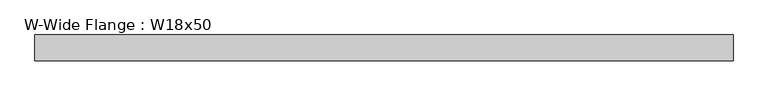
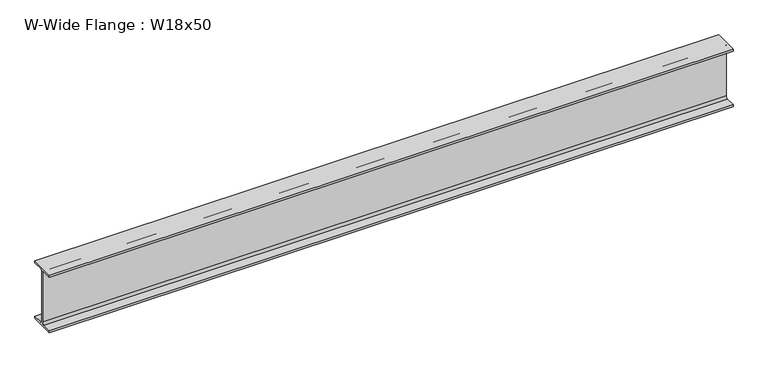
"""IFC4 building model written with IfcOpenShell, lengths in millimetres: beam geometry, W-Wide Flange : W18x50."""

from ifc_helpers import new_model, si_unit, point, frame, frame_2d, origin, place, context, project, spatial, polyline, circle_curve, trimmed, segment, composite_curve, outline, extrude, source, transform, mapped, element, save


def w_wide_flange_w18x50_74c78b74(model_context):
    return source(origin(), model_context, "Body", "SweptSolid", [
        extrude(outline(composite_curve([segment(polyline([(95.25, -214.122), (95.25, -228.6), (-95.25, -228.6), (-95.25, -214.122), (-21.7805, -214.122)]), True, "CONTINUOUS"), segment(trimmed(circle_curve(frame_2d((-21.7805, -196.85)), 17.272), [point((-21.7805, -214.122))], [point((-4.5085, -196.85))], True, "CARTESIAN"), True, "CONTINUOUS"), segment(polyline([(-4.5085, -196.85), (-4.5085, 196.85)]), True, "CONTINUOUS"), segment(trimmed(circle_curve(frame_2d((-21.7805, 196.85)), 17.272), [point((-4.5085, 196.85))], [point((-21.7805, 214.122))], True, "CARTESIAN"), True, "CONTINUOUS"), segment(polyline([(-21.7805, 214.122), (-95.25, 214.122), (-95.25, 228.6), (95.25, 228.6), (95.25, 214.122), (21.7805, 214.122)]), True, "CONTINUOUS"), segment(trimmed(circle_curve(frame_2d((21.7805, 196.85)), 17.272), [point((21.7805, 214.122))], [point((4.5085, 196.85))], True, "CARTESIAN"), True, "CONTINUOUS"), segment(polyline([(4.5085, 196.85), (4.5085, -196.85)]), True, "CONTINUOUS"), segment(trimmed(circle_curve(frame_2d((21.7805, -196.85)), 17.272), [point((4.5085, -196.85))], [point((21.7805, -214.122))], True, "CARTESIAN"), True, "CONTINUOUS"), segment(polyline([(21.7805, -214.122), (95.25, -214.122)]), True, "CONTINUOUS")], self_intersect=False)), frame((-2526.0206977, 0.0, 0.0), z_axis=(1.0, 0.0, 0.0), x_axis=(0.0, 1.0, 0.0)), (0.0, 0.0, 1.0), 5153.66),
    ])


if __name__ == "__main__":
    model = new_model("IFC4")
    model_context = context("Model", 3, world=origin())
    ifc_project = project(units=[si_unit("LENGTHUNIT", "METRE", prefix="MILLI")], contexts=[model_context])
    site = spatial("IfcSite", under=ifc_project)
    building = spatial("IfcBuilding", under=site)
    placement = place(None, origin())
    w_wide_flange_w18x50_shape = w_wide_flange_w18x50_74c78b74(model_context)
    element("IfcBeam", 1, ObjectType="W-Wide Flange : W18x50", at=placement, inside=building, context=model_context, shape_type="MappedRepresentation", body=[
        mapped(w_wide_flange_w18x50_shape, transform((0.0, 0.0, 0.0), x_axis=(1.0, 0.0, 0.0), y_axis=(0.0, 1.0, 0.0), z_axis=(0.0, 0.0, 1.0))),
    ])
    save(model, "model.ifc")
